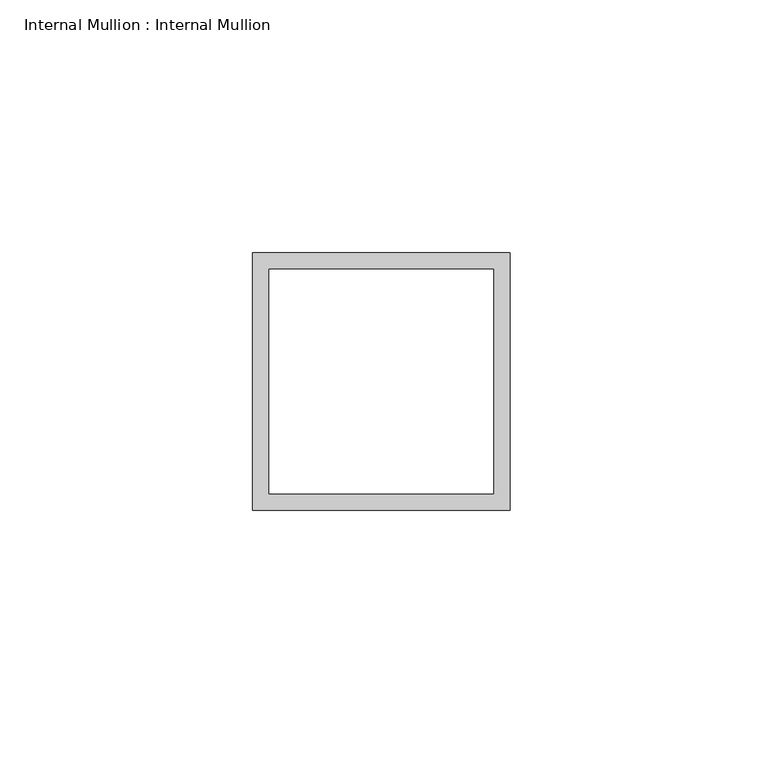
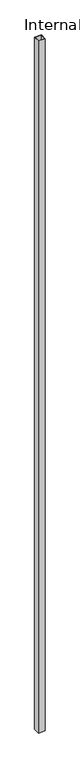
"""IFC4 building model written with IfcOpenShell, lengths in millimetres: proxy geometry, Internal Mullion : Internal Mullion."""

from ifc_helpers import new_model, si_unit, origin, origin_with_axes, place, context, project, spatial, polyline, outline, extrude, source, transform, mapped, element, save


def internal_mullion_internal_mullion_402a9002(model_context):
    return source(origin(), model_context, "Body", "SweptSolid", [
        extrude(outline(polyline([(-25.4, -25.4), (-25.4, 25.4), (25.4, 25.4), (25.4, -25.4), (-25.4, -25.4)]), holes=[polyline([(-22.225, -22.225), (22.225, -22.225), (22.225, 22.225), (-22.225, 22.225), (-22.225, -22.225)])]), origin_with_axes(), (0.0, 0.0, 1.0), 5638.8),
    ])


if __name__ == "__main__":
    model = new_model("IFC4")
    model_context = context("Model", 3, world=origin())
    ifc_project = project(units=[si_unit("LENGTHUNIT", "METRE", prefix="MILLI")], contexts=[model_context])
    site = spatial("IfcSite", under=ifc_project)
    building = spatial("IfcBuilding", under=site)
    placement = place(None, origin())
    internal_mullion_internal_mullion_shape = internal_mullion_internal_mullion_402a9002(model_context)
    element("IfcBuildingElementProxy", 1, Name="Internal Mullion : Internal Mullion", ObjectType="Internal Mullion : Internal Mullion", at=placement, inside=building, context=model_context, shape_type="MappedRepresentation", body=[
        mapped(internal_mullion_internal_mullion_shape, transform((0.0, 0.0, 0.0), x_axis=(1.0, 0.0, 0.0), y_axis=(0.0, 1.0, 0.0), z_axis=(0.0, 0.0, 1.0))),
    ])
    save(model, "model.ifc")
